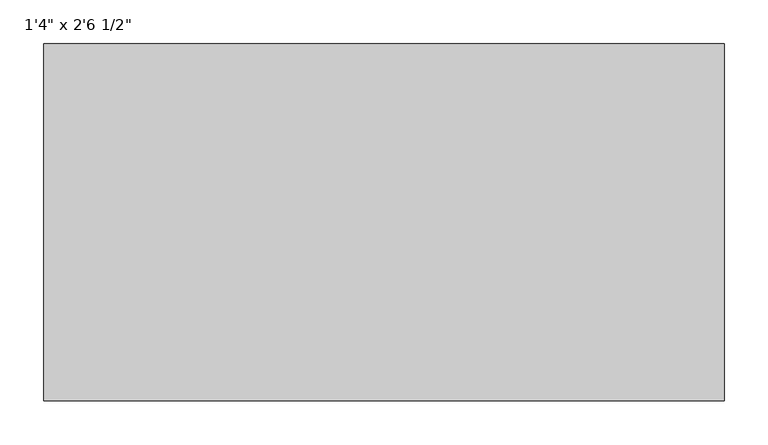
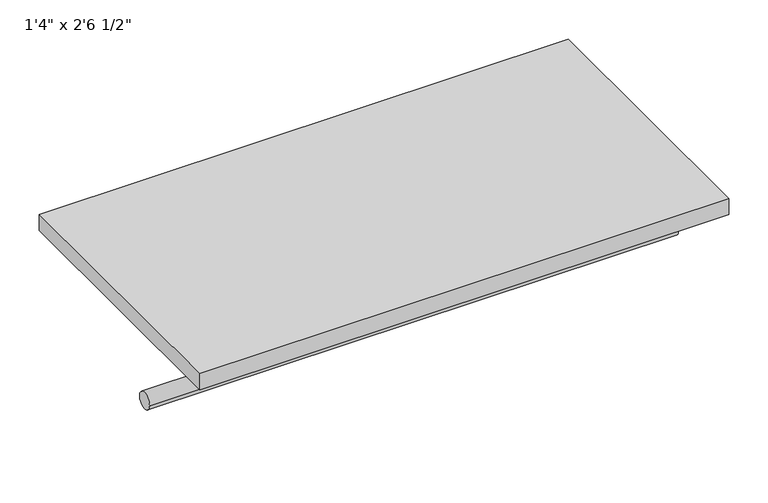
"""IFC4 building model written with IfcOpenShell, lengths in millimetres: furniture geometry."""

from ifc_helpers import new_model, si_unit, point, frame, frame_2d, origin, origin_with_axes, place, context, project, spatial, polyline, circle_curve, trimmed, segment, composite_curve, outline, extrude, source, transform, mapped, element, save


def furniture_0ad6a1e7(model_context):
    return source(origin(), model_context, "Body", "SweptSolid", [
        extrude(outline(composite_curve([segment(trimmed(circle_curve(frame_2d((342.9, -101.6)), 12.7), [point((330.2, -101.6))], [point((355.6, -101.6))], False, "CARTESIAN"), True, "CONTINUOUS"), segment(trimmed(circle_curve(frame_2d((342.9, -101.6)), 12.7), [point((355.6, -101.6))], [point((330.2, -101.6))], False, "CARTESIAN"), True, "CONTINUOUS")], self_intersect=False)), frame((-368.6122951, 0.0, 0.0), z_axis=(1.0, 0.0, 0.0), x_axis=(0.0, 1.0, 0.0)), (0.0, 0.0, 1.0), 774.7),
        extrude(outline(polyline([(406.0877049, 203.2), (-368.6122951, 203.2), (-368.6122951, 609.6), (406.0877049, 609.6), (406.0877049, 203.2)])), origin_with_axes(), (0.0, 0.0, 1.0), 25.4),
    ])


if __name__ == "__main__":
    model = new_model("IFC4")
    model_context = context("Model", 3, world=origin())
    ifc_project = project(units=[si_unit("LENGTHUNIT", "METRE", prefix="MILLI")], contexts=[model_context])
    site = spatial("IfcSite", under=ifc_project)
    building = spatial("IfcBuilding", under=site)
    placement = place(None, origin())
    furniture_shape = furniture_0ad6a1e7(model_context)
    element("IfcFurniture", 1, ObjectType="1'4\" x 2'6 1/2\"", at=placement, inside=building, context=model_context, shape_type="MappedRepresentation", body=[
        mapped(furniture_shape, transform((0.0, 0.0, 0.0), x_axis=(1.0, 0.0, 0.0), y_axis=(0.0, 1.0, 0.0), z_axis=(0.0, 0.0, 1.0))),
    ])
    save(model, "model.ifc")
